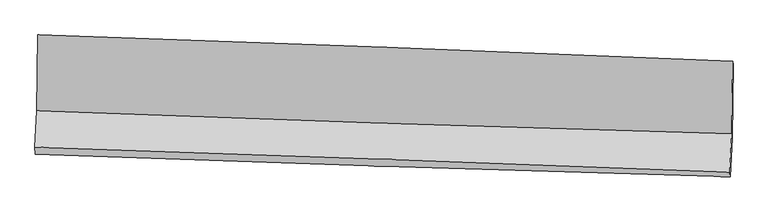
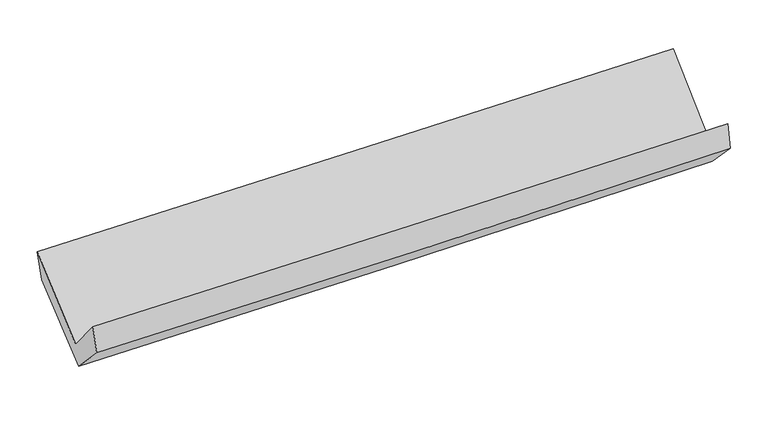
"""IFC4 building model written with IfcOpenShell, lengths in millimetres: proxy geometry."""

from ifc_helpers import new_model, si_unit, frame, origin, place, context, project, spatial, source, transform, mapped, element, save
from ifc_brep_helpers import plane_surface, spline_curve, spline_surface, advanced_brep


def generic_models_1d665d3a(model_context):
    return source(origin(), model_context, "Body", "AdvancedBrep", [
        advanced_brep(
        [(-2398.2297484, -1112.5915182, 2203.5152334), (-2404.2616748, -1635.0657651, 1768.6264141), (2392.2214089, -1794.0314976, 1840.5835665), (2398.3491125, -1295.4900745, 2292.8761066), (-2417.4118349, -1886.4833226, 2068.825589), (2378.4183489, -2060.6738037, 2152.2457924), (-2415.0728031, -1934.6063205, 1884.8607426), (2380.9793823, -2090.7872954, 1970.7695666), (-2402.2586465, -1673.4391354, 1615.0776255), (2394.0819011, -1824.3846531, 1695.5779499), (-2395.9448714, -1168.6998787, 2011.0126691), (2401.4636502, -1319.630784, 2091.5695494)],
        [
            (0, 1),
            (1, 2, spline_curve(3, [(-2404.2616748, -1635.0657651, 1768.6264141), (-1605.02013862, -1665.900178219, 1781.140275911), (-805.700622962, -1694.564302779, 1793.393518851), (793.127065489, -1747.553057871, 1817.379257471), (1592.635244212, -1771.877510868, 1829.11173201), (2392.2214089, -1794.0314976, 1840.5835665)], [4, 2, 4], [0.0, 7.87428090605285, 15.748883885654749])),
            (2, 3),
            (3, 0, spline_curve(3, [(2398.3491125, -1295.4900745, 2292.8761066), (1599.139886158, -1261.381761392, 2272.710766068), (799.812190896, -1229.085783918, 2255.181258056), (-799.047438916, -1168.119746671, 2225.3945157), (-1598.579364332, -1139.449538888, 2213.137066066), (-2398.2297484, -1112.5915182, 2203.5152334)], [4, 2, 4], [0.0, 7.874602979601899, 15.748883885654749])),
            (1, 4),
            (4, 5, spline_curve(3, [(-2417.4118349, -1886.4833226, 2068.825589), (-1618.05593389, -1914.780592504, 2079.429169573), (-818.733640539, -1943.444796552, 2091.682467601), (779.876423616, -2001.508260079, 2119.489066859), (1579.164191391, -2030.907549879, 2135.042503597), (2378.4183489, -2060.6738037, 2152.2457924)], [4, 2, 4], [0.0, 7.873333253316044, 15.74698854142028])),
            (5, 2),
            (4, 6),
            (6, 7, spline_curve(3, [(-2415.0728031, -1934.6063205, 1884.8607426), (-1615.852339016, -1965.902171217, 1895.047628909), (-816.579266187, -1994.564965688, 1907.299952132), (782.104791377, -2046.62550598, 1935.936057692), (1581.515780317, -2070.023036689, 1952.320009371), (2380.9793823, -2090.7872954, 1970.7695666)], [4, 2, 4], [0.0, 7.873121135402522, 15.746564296917196])),
            (7, 5),
            (6, 8),
            (8, 9, spline_curve(3, [(-2402.2586465, -1673.4391354, 1615.0776255), (-1603.074676306, -1705.607840059, 1626.166102122), (-803.795821819, -1734.270800055, 1638.418539575), (794.984353174, -1784.586259325, 1665.251885982), (1594.485680928, -1806.238471859, 1679.832889631), (2394.0819011, -1824.3846531, 1695.5779499)], [4, 2, 4], [0.0, 7.8729173641631975, 15.746156746103903])),
            (9, 7),
            (8, 10),
            (10, 11, spline_curve(3, [(-2395.9448714, -1168.6998787, 2011.0126691), (-1596.538466605, -1200.882486643, 2022.099650564), (-797.05939793, -1229.551180876, 2034.356053265), (802.076769966, -1279.861770004, 2061.208251077), (1601.73387538, -1301.503377675, 2075.804141587), (2401.4636502, -1319.630784, 2091.5695494)], [4, 2, 4], [0.0, 7.873829604298376, 15.747981263686674])),
            (11, 9),
            (10, 0),
            (3, 11),
        ],
        [
            spline_surface(3, 3, [[(-2398.2297484, -1112.5915182, 2203.5152334), (-1598.579364221, -1139.44953882, 2213.137066197), (-799.047438998, -1168.119746699, 2225.394515813), (799.812190979, -1229.085783891, 2255.181257943), (1599.139886084, -1261.381761434, 2272.710766051), (2398.3491125, -1295.4900745, 2292.8761066)], [(-2400.240390556, -1286.749600505, 2058.552293616), (-1600.72628905, -1314.933085334, 2069.138136066), (-801.265166925, -1343.6012654, 2081.394183449), (797.583815793, -1401.90820854, 2109.247257802), (1596.971672093, -1431.547011249, 2124.844421387), (2396.306544637, -1461.670548861, 2142.111926554)], [(-2402.251032644, -1460.907682795, 1913.589353884), (-1602.873213812, -1490.416631834, 1925.139205987), (-803.48289491, -1519.082784106, 1937.393851126), (795.355440549, -1574.730633194, 1963.313257701), (1594.803458092, -1601.712261081, 1976.978076762), (2394.263976763, -1627.851023239, 1991.347746546)], [(-2404.2616748, -1635.0657651, 1768.6264141), (-1605.020138641, -1665.900178348, 1781.140275856), (-805.700622836, -1694.564302807, 1793.393518762), (793.127065363, -1747.553057843, 1817.379257559), (1592.635244101, -1771.877510895, 1829.111732099), (2392.2214089, -1794.0314976, 1840.5835665)]], [4, 4], [4, 2, 4], [0.0, 2.2303532491149305], [0.0, 7.87428090605285, 15.748883885654749]),
            spline_surface(3, 3, [[(-2404.2616748, -1635.0657651, 1768.6264141), (-1605.020138641, -1665.900178348, 1781.140275856), (-805.700622836, -1694.564302807, 1793.393518762), (793.127065363, -1747.553057843, 1817.379257559), (1592.635244101, -1771.877510895, 1829.111732099), (2392.2214089, -1794.0314976, 1840.5835665)], [(-2408.645061483, -1718.871617602, 1868.69280576), (-1609.365403701, -1748.860316406, 1880.569907094), (-810.044962063, -1777.52446738, 1892.823168336), (788.710184737, -1832.204791963, 1918.082527368), (1588.144893201, -1858.220857233, 1931.088655898), (2387.620388892, -1882.912266301, 1944.47097514)], [(-2413.028448217, -1802.677470098, 1968.75919734), (-1613.710668811, -1831.820454457, 1979.999538251), (-814.389301236, -1860.484631903, 1992.252817907), (784.293304166, -1916.856526033, 2018.785797172), (1583.654542323, -1944.564203566, 2033.065579678), (2383.019368908, -1971.793034999, 2048.35838376)], [(-2417.4118349, -1886.4833226, 2068.825589), (-1618.055933871, -1914.780592514, 2079.429169489), (-818.733640464, -1943.444796477, 2091.68246748), (779.87642354, -2001.508260153, 2119.48906698), (1579.164191423, -2030.907549904, 2135.042503477), (2378.4183489, -2060.6738037, 2152.2457924)]], [4, 4], [4, 2, 4], [0.0, 1.2854170283904942], [0.0, 7.873333253316044, 15.74698854142028]),
            spline_surface(3, 3, [[(-2417.4118349, -1886.4833226, 2068.825589), (-1618.055933871, -1914.780592514, 2079.429169489), (-818.733640464, -1943.444796477, 2091.68246748), (779.87642354, -2001.508260153, 2119.48906698), (1579.164191423, -2030.907549904, 2135.042503477), (2378.4183489, -2060.6738037, 2152.2457924)], [(-2416.632157638, -1902.524321892, 2007.503973528), (-1617.321402266, -1931.821118774, 2017.96865595), (-818.015515688, -1960.484852842, 2030.22162901), (780.619212814, -2016.547342084, 2058.30473057), (1579.948054377, -2043.94604549, 2074.135005395), (2379.27202671, -2070.711634274, 2091.753717118)], [(-2415.852480362, -1918.565321208, 1946.182358072), (-1616.586870646, -1948.861645057, 1956.508142428), (-817.29739093, -1977.524909282, 1968.760790542), (781.36200207, -2031.58642409, 1997.120394163), (1580.731917299, -2056.984541053, 2013.22750736), (2380.12570449, -2080.749464826, 2031.261641882)], [(-2415.0728031, -1934.6063205, 1884.8607426), (-1615.852339041, -1965.902171317, 1895.047628889), (-816.579266155, -1994.564965646, 1907.299952071), (782.104791344, -2046.625506021, 1935.936057753), (1581.515780252, -2070.02303664, 1952.320009278), (2380.9793823, -2090.7872954, 1970.7695666)]], [4, 4], [4, 2, 4], [0.0, 0.623914758616748], [0.0, 7.873121135402522, 15.746564296917196]),
            spline_surface(3, 3, [[(-2415.0728031, -1934.6063205, 1884.8607426), (-1615.852339041, -1965.902171317, 1895.047628889), (-816.579266155, -1994.564965646, 1907.299952071), (782.104791344, -2046.625506021, 1935.936057753), (1581.515780252, -2070.02303664, 1952.320009278), (2380.9793823, -2090.7872954, 1970.7695666)], [(-2410.801417567, -1847.55059215, 1794.933036876), (-1611.593118162, -1879.13739425, 1805.420453259), (-812.318117993, -1907.800243777, 1817.672814611), (786.397978598, -1959.27909048, 1845.708000491), (1585.839080468, -1982.094848432, 1861.490969464), (2385.346888566, -2001.986414643, 1879.039027726)], [(-2406.530032033, -1760.49486375, 1705.005331224), (-1607.333897281, -1792.372617134, 1715.793277702), (-808.056969871, -1821.03552188, 1728.0456771), (790.691165811, -1871.93267491, 1755.479943179), (1590.162380685, -1894.166660195, 1770.661929572), (2389.714394834, -1913.185533857, 1787.308488774)], [(-2402.2586465, -1673.4391354, 1615.0776255), (-1603.074676401, -1705.607840067, 1626.166102072), (-803.795821709, -1734.270800011, 1638.41853964), (794.984353065, -1784.586259369, 1665.251885917), (1594.485680901, -1806.238471988, 1679.832889758), (2394.0819011, -1824.3846531, 1695.5779499)]], [4, 4], [4, 2, 4], [0.0, 1.2326333770161755], [0.0, 7.8729173641631975, 15.746156746103903]),
            spline_surface(3, 3, [[(-2402.2586465, -1673.4391354, 1615.0776255), (-1603.074676401, -1705.607840067, 1626.166102072), (-803.795821709, -1734.270800011, 1638.41853964), (794.984353065, -1784.586259369, 1665.251885917), (1594.485680901, -1806.238471988, 1679.832889758), (2394.0819011, -1824.3846531, 1695.5779499)], [(-2400.154054787, -1505.192716514, 1747.055973393), (-1600.895939767, -1537.366055629, 1758.143951563), (-801.550347126, -1566.03092696, 1770.397710853), (797.34849203, -1616.344762935, 1797.237340955), (1596.901745692, -1637.993440561, 1811.823307047), (2396.542484142, -1656.133363397, 1827.575149714)], [(-2398.049463113, -1336.946297586, 1879.034321207), (-1598.717203174, -1369.12427115, 1890.121800975), (-799.304872525, -1397.791053886, 1902.376882082), (799.712631013, -1448.103266479, 1929.222796009), (1599.31781046, -1469.748409144, 1943.813724395), (2399.003067158, -1487.882073703, 1959.572349586)], [(-2395.9448714, -1168.6998787, 2011.0126691), (-1596.53846654, -1200.882486712, 2022.099650466), (-797.059397942, -1229.551180835, 2034.356053295), (802.076769978, -1279.861770045, 2061.208251047), (1601.733875251, -1301.503377718, 2075.804141684), (2401.4636502, -1319.630784, 2091.5695494)]], [4, 4], [4, 2, 4], [0.0, 2.1047710249172105], [0.0, 7.873829604298376, 15.747981263686674]),
            spline_surface(3, 3, [[(-2395.9448714, -1168.6998787, 2011.0126691), (-1596.53846654, -1200.882486712, 2022.099650466), (-797.059397942, -1229.551180835, 2034.356053295), (802.076769978, -1279.861770045, 2061.208251047), (1601.733875251, -1301.503377718, 2075.804141684), (2401.4636502, -1319.630784, 2091.5695494)], [(-2396.706497068, -1149.997091837, 2075.180190528), (-1597.218765769, -1180.404837385, 2085.778789037), (-797.722078308, -1209.074036116, 2098.035540803), (801.321910297, -1262.936441319, 2125.865920014), (1600.869212182, -1288.129505614, 2141.439683155), (2400.425470953, -1311.583880824, 2158.671735149)], [(-2397.468122732, -1131.294305063, 2139.347711972), (-1597.899064992, -1159.927188147, 2149.457927626), (-798.384758632, -1188.596891418, 2161.715028305), (800.567050659, -1246.011112616, 2190.523588976), (1600.004549153, -1274.755633538, 2207.075224579), (2399.387291747, -1303.536977676, 2225.773920851)], [(-2398.2297484, -1112.5915182, 2203.5152334), (-1598.579364221, -1139.44953882, 2213.137066197), (-799.047438998, -1168.119746699, 2225.394515813), (799.812190979, -1229.085783891, 2255.181257943), (1599.139886084, -1261.381761434, 2272.710766051), (2398.3491125, -1295.4900745, 2292.8761066)]], [4, 4], [4, 2, 4], [0.0, 0.6578931067807166], [0.0, 7.874950156179375, 15.750222413281444]),
            plane_surface(frame((2390.9189673, -1730.833018, 2007.2704219), z_axis=(0.999383447137148, -0.02952337498444133, 0.01900252398497862), x_axis=(0.011505363262903856, 0.7867209416369202, 0.617201576963399))),
            plane_surface(frame((-2405.5299299, -1568.4809901, 1925.3197123), z_axis=(-0.9993981703602517, 0.028270205791486376, -0.020102053255541763), x_axis=(0.011394427714996484, -0.27980615912806706, -0.9599888959415347))),
        ],
        [
            (0, [[1, 2, 3, 4]]),
            (1, [[5, 6, 7, -2]]),
            (2, [[8, 9, 10, -6]]),
            (3, [[11, 12, 13, -9]]),
            (4, [[14, 15, 16, -12]]),
            (5, [[17, -4, 18, -15]]),
            (6, [[-16, -18, -3, -7, -10, -13]]),
            (7, [[-17, -14, -11, -8, -5, -1]]),
        ],
    ),
    ])


if __name__ == "__main__":
    model = new_model("IFC4")
    model_context = context("Model", 3, world=origin())
    ifc_project = project(units=[si_unit("LENGTHUNIT", "METRE", prefix="MILLI")], contexts=[model_context])
    site = spatial("IfcSite", under=ifc_project)
    building = spatial("IfcBuilding", under=site)
    placement = place(None, origin())
    generic_models_shape = generic_models_1d665d3a(model_context)
    element("IfcBuildingElementProxy", 1, Name="Generic Models", at=placement, inside=building, context=model_context, shape_type="MappedRepresentation", body=[
        mapped(generic_models_shape, transform((0.0, 0.0, 0.0), x_axis=(1.0, 0.0, 0.0), y_axis=(0.0, 1.0, 0.0), z_axis=(0.0, 0.0, 1.0))),
    ])
    save(model, "model.ifc")
